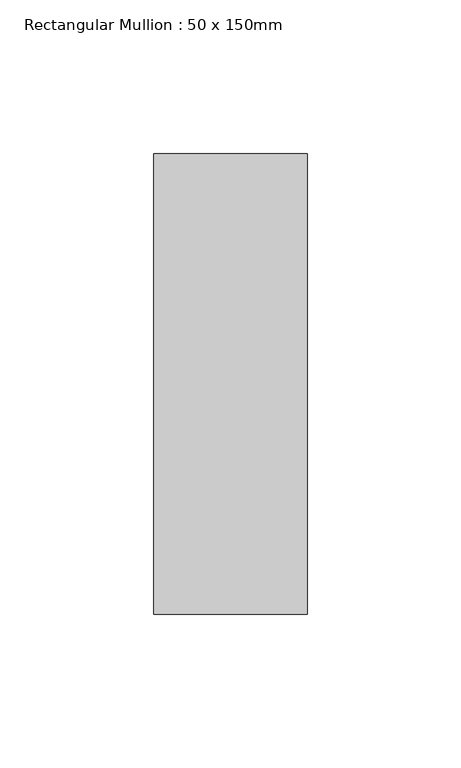
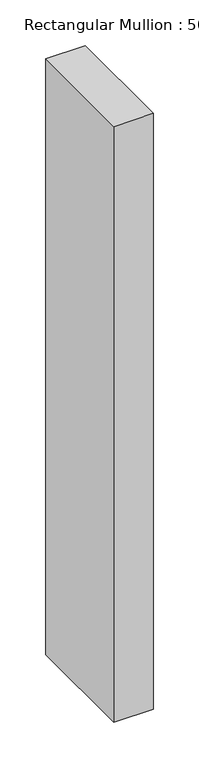
"""IFC4 building model written with IfcOpenShell, lengths in millimetres: member geometry, Rectangular Mullion : 50 x 150mm."""

from ifc_helpers import new_model, si_unit, frame, origin, place, context, project, spatial, polyline, outline, extrude, source, transform, mapped, element, save


def rectangular_mullion_50_x_150mm_b7db647f(model_context):
    return source(origin(), model_context, "Body", "SweptSolid", [
        extrude(outline(polyline([(0.0, 75.0), (0.0, -75.0), (-50.0, -75.0), (-50.0, 75.0), (0.0, 75.0)])), frame((0.0, 0.0, -798.3652106), z_axis=(0.0, 0.0, 1.0), x_axis=(1.0, 0.0, 0.0)), (0.0, 0.0, 1.0), 798.3652106),
    ])


if __name__ == "__main__":
    model = new_model("IFC4")
    model_context = context("Model", 3, world=origin())
    ifc_project = project(units=[si_unit("LENGTHUNIT", "METRE", prefix="MILLI")], contexts=[model_context])
    site = spatial("IfcSite", under=ifc_project)
    building = spatial("IfcBuilding", under=site)
    placement = place(None, origin())
    rectangular_mullion_50_x_150mm_shape = rectangular_mullion_50_x_150mm_b7db647f(model_context)
    element("IfcMember", 1, ObjectType="Rectangular Mullion : 50 x 150mm", at=placement, inside=building, context=model_context, shape_type="MappedRepresentation", body=[
        mapped(rectangular_mullion_50_x_150mm_shape, transform((0.0, 0.0, 0.0), x_axis=(1.0, 0.0, 0.0), y_axis=(0.0, 1.0, 0.0), z_axis=(0.0, 0.0, 1.0))),
    ])
    save(model, "model.ifc")
